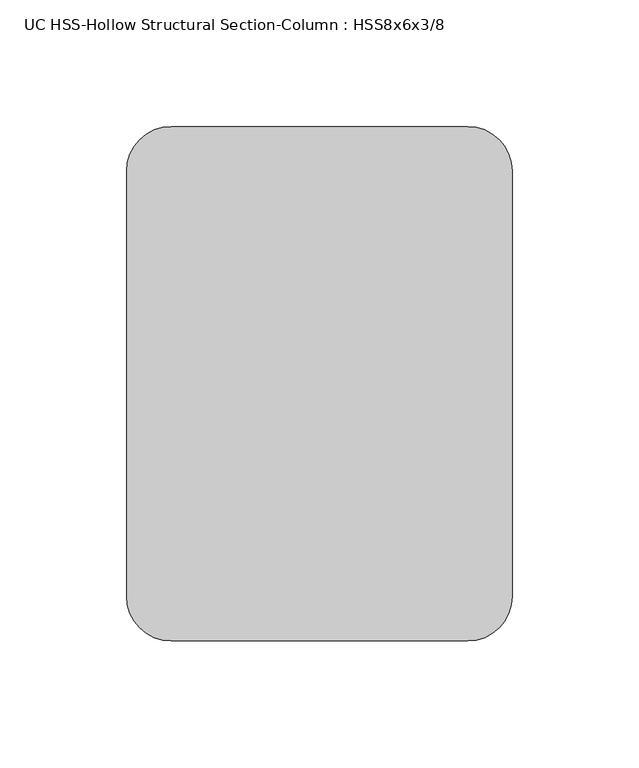
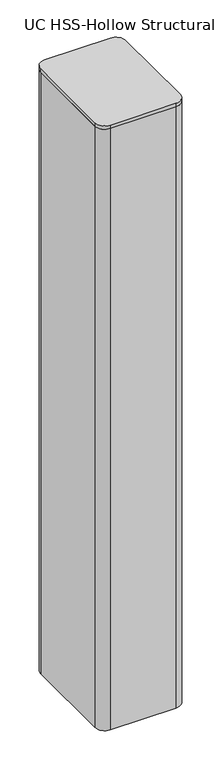
"""IFC4 building model written with IfcOpenShell, lengths in millimetres: column geometry, UC HSS-Hollow Structural Section-Column : HSS8x6x3/8."""

from ifc_helpers import new_model, si_unit, point, frame, frame_2d, origin, place, context, project, spatial, polyline, circle_curve, trimmed, segment, composite_curve, outline, extrude, source, transform, mapped, element, save


def uc_hss_hollow_structural_section_column_hss8x6x3_8_23bde159(model_context):
    return source(origin(), model_context, "Body", "SweptSolid", [
        extrude(outline(composite_curve([segment(trimmed(circle_curve(frame_2d((-58.5390625, 83.9390625)), 17.6609375), [point((-76.2, 83.9390625))], [point((-58.5390625, 101.6))], False, "CARTESIAN"), True, "CONTINUOUS"), segment(polyline([(-58.5390625, 101.6), (58.5390625, 101.6)]), True, "CONTINUOUS"), segment(trimmed(circle_curve(frame_2d((58.5390625, 83.9390625)), 17.6609375), [point((58.5390625, 101.6))], [point((76.2, 83.9390625))], False, "CARTESIAN"), True, "CONTINUOUS"), segment(polyline([(76.2, 83.9390625), (76.2, -83.9390625)]), True, "CONTINUOUS"), segment(trimmed(circle_curve(frame_2d((58.5390625, -83.9390625)), 17.6609375), [point((76.2, -83.9390625))], [point((58.5390625, -101.6))], False, "CARTESIAN"), True, "CONTINUOUS"), segment(polyline([(58.5390625, -101.6), (-58.5390625, -101.6)]), True, "CONTINUOUS"), segment(trimmed(circle_curve(frame_2d((-58.5390625, -83.9390625)), 17.6609375), [point((-58.5390625, -101.6))], [point((-76.2, -83.9390625))], False, "CARTESIAN"), True, "CONTINUOUS"), segment(polyline([(-76.2, -83.9390625), (-76.2, 83.9390625)]), True, "CONTINUOUS")], self_intersect=False)), frame((0.0, 0.0, 4387.85), z_axis=(0.0, 0.0, 1.0), x_axis=(1.0, 0.0, 0.0)), (0.0, 0.0, 1.0), 6.35),
        extrude(outline(composite_curve([segment(trimmed(circle_curve(frame_2d((58.4708, 83.8708)), 17.7292), [point((58.4708, 101.6))], [point((76.2, 83.8708))], False, "CARTESIAN"), True, "CONTINUOUS"), segment(polyline([(76.2, 83.8708), (76.2, -83.8708)]), True, "CONTINUOUS"), segment(trimmed(circle_curve(frame_2d((58.4708, -83.8708)), 17.7292), [point((76.2, -83.8708))], [point((58.4708, -101.6))], False, "CARTESIAN"), True, "CONTINUOUS"), segment(polyline([(58.4708, -101.6), (-58.4708, -101.6)]), True, "CONTINUOUS"), segment(trimmed(circle_curve(frame_2d((-58.4708, -83.8708)), 17.7292), [point((-58.4708, -101.6))], [point((-76.2, -83.8708))], False, "CARTESIAN"), True, "CONTINUOUS"), segment(polyline([(-76.2, -83.8708), (-76.2, 83.8708)]), True, "CONTINUOUS"), segment(trimmed(circle_curve(frame_2d((-58.4708, 83.8708)), 17.7292), [point((-76.2, 83.8708))], [point((-58.4708, 101.6))], False, "CARTESIAN"), True, "CONTINUOUS"), segment(polyline([(-58.4708, 101.6), (58.4708, 101.6)]), True, "CONTINUOUS")], self_intersect=False), holes=[composite_curve([segment(polyline([(58.4708, 92.7354), (-58.4708, 92.7354)]), True, "CONTINUOUS"), segment(trimmed(circle_curve(frame_2d((-58.4708, 83.8708)), 8.8646), [point((-58.4708, 92.7354))], [point((-67.3354, 83.8708))], True, "CARTESIAN"), True, "CONTINUOUS"), segment(polyline([(-67.3354, 83.8708), (-67.3354, -83.8708)]), True, "CONTINUOUS"), segment(trimmed(circle_curve(frame_2d((-58.4708, -83.8708)), 8.8646), [point((-67.3354, -83.8708))], [point((-58.4708, -92.7354))], True, "CARTESIAN"), True, "CONTINUOUS"), segment(polyline([(-58.4708, -92.7354), (58.4708, -92.7354)]), True, "CONTINUOUS"), segment(trimmed(circle_curve(frame_2d((58.4708, -83.8708)), 8.8646), [point((58.4708, -92.7354))], [point((67.3354, -83.8708))], True, "CARTESIAN"), True, "CONTINUOUS"), segment(polyline([(67.3354, -83.8708), (67.3354, 83.8708)]), True, "CONTINUOUS"), segment(trimmed(circle_curve(frame_2d((58.4708, 83.8708)), 8.8646), [point((67.3354, 83.8708))], [point((58.4708, 92.7354))], True, "CARTESIAN"), True, "CONTINUOUS")], self_intersect=False)]), frame((0.0, 0.0, 3251.2), z_axis=(0.0, 0.0, 1.0), x_axis=(1.0, 0.0, 0.0)), (0.0, 0.0, 1.0), 1136.65),
    ])


if __name__ == "__main__":
    model = new_model("IFC4")
    model_context = context("Model", 3, world=origin())
    ifc_project = project(units=[si_unit("LENGTHUNIT", "METRE", prefix="MILLI")], contexts=[model_context])
    site = spatial("IfcSite", under=ifc_project)
    building = spatial("IfcBuilding", under=site)
    placement = place(None, origin())
    uc_hss_hollow_structural_section_column_hss8x6x3_8_shape = uc_hss_hollow_structural_section_column_hss8x6x3_8_23bde159(model_context)
    element("IfcColumn", 1, ObjectType="UC HSS-Hollow Structural Section-Column : HSS8x6x3/8", at=placement, inside=building, context=model_context, shape_type="MappedRepresentation", body=[
        mapped(uc_hss_hollow_structural_section_column_hss8x6x3_8_shape, transform((0.0, 0.0, 0.0), x_axis=(1.0, 0.0, 0.0), y_axis=(0.0, 1.0, 0.0), z_axis=(0.0, 0.0, 1.0))),
    ])
    save(model, "model.ifc")
